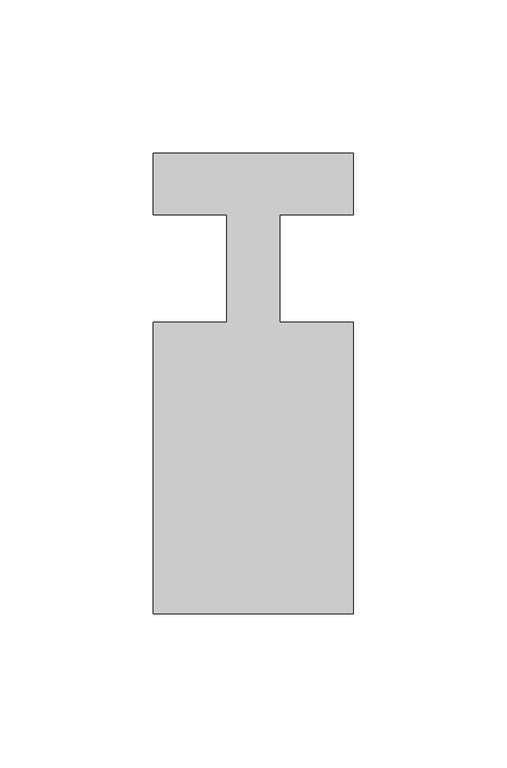
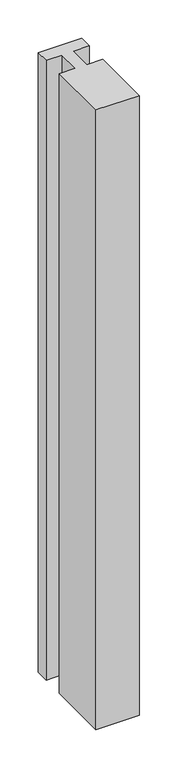
"""IFC4 building model written with IfcOpenShell, lengths in millimetres: member geometry."""

from ifc_helpers import new_model, si_unit, frame, origin, place, context, project, spatial, polyline, outline, extrude, source, transform, mapped, element, save


def member_eb40360b(model_context):
    return source(origin(), model_context, "Body", "SweptSolid", [
        extrude(outline(polyline([(-65.0, 37.0), (0.0, 37.0), (0.0, 17.0), (-23.8125, 17.0), (-23.8125, -18.0), (0.0, -18.0), (0.0, -113.0), (-65.0, -113.0), (-65.0, -18.0), (-41.1875, -18.0), (-41.1875, 17.0), (-65.0, 17.0), (-65.0, 37.0)])), frame((0.0, 0.0, -985.8333333), z_axis=(0.0, 0.0, 1.0), x_axis=(1.0, 0.0, 0.0)), (0.0, 0.0, 1.0), 985.8333333),
    ])


if __name__ == "__main__":
    model = new_model("IFC4")
    model_context = context("Model", 3, world=origin())
    ifc_project = project(units=[si_unit("LENGTHUNIT", "METRE", prefix="MILLI")], contexts=[model_context])
    site = spatial("IfcSite", under=ifc_project)
    building = spatial("IfcBuilding", under=site)
    placement = place(None, origin())
    member_shape = member_eb40360b(model_context)
    element("IfcMember", 1, at=placement, inside=building, context=model_context, shape_type="MappedRepresentation", body=[
        mapped(member_shape, transform((0.0, 0.0, 0.0), x_axis=(1.0, 0.0, 0.0), y_axis=(0.0, 1.0, 0.0), z_axis=(0.0, 0.0, 1.0))),
    ])
    save(model, "model.ifc")
